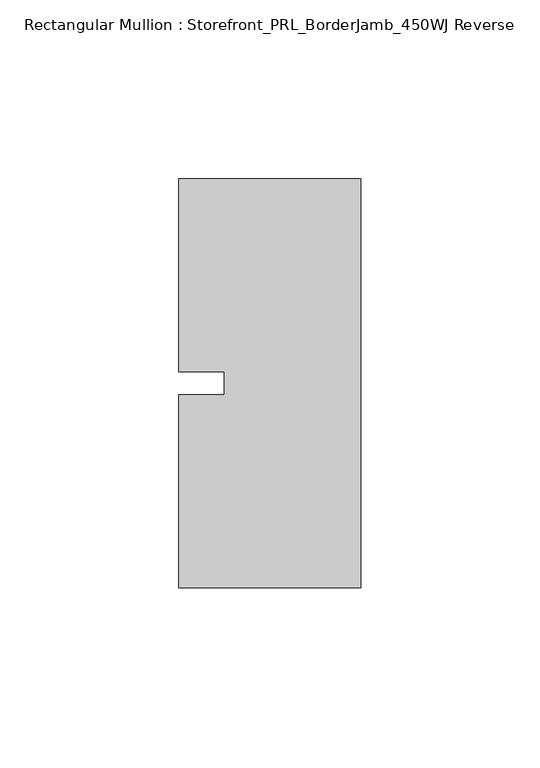
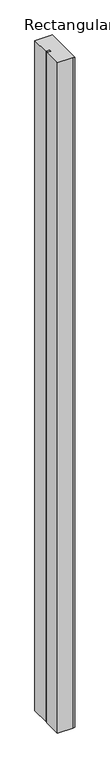
"""IFC4 building model written with IfcOpenShell, lengths in millimetres: member geometry, Rectangular Mullion : Storefront_PRL_BorderJamb_450WJ Reverse."""

from ifc_helpers import new_model, si_unit, frame, origin, place, context, project, spatial, polyline, outline, extrude, source, transform, mapped, element, save


def rectangular_mullion_storefront_prl_borderjamb_450wj_reverse_44a060d6(model_context):
    return source(origin(), model_context, "Body", "SweptSolid", [
        extrude(outline(polyline([(-38.1, -3.175), (-38.1, 3.175), (-50.8, 3.175), (-50.8, 57.15), (-7.3958824, 57.15), (0.0, 57.15), (0.0, -57.15), (-6.35, -57.15), (-50.8, -57.15), (-50.8, -3.175), (-38.1, -3.175)])), frame((0.0, 0.0, -2078.83125), z_axis=(0.0, 0.0, 1.0), x_axis=(1.0, 0.0, 0.0)), (0.0, 0.0, 1.0), 2078.83125),
    ])


if __name__ == "__main__":
    model = new_model("IFC4")
    model_context = context("Model", 3, world=origin())
    ifc_project = project(units=[si_unit("LENGTHUNIT", "METRE", prefix="MILLI")], contexts=[model_context])
    site = spatial("IfcSite", under=ifc_project)
    building = spatial("IfcBuilding", under=site)
    placement = place(None, origin())
    rectangular_mullion_storefront_prl_borderjamb_450wj_reverse_shape = rectangular_mullion_storefront_prl_borderjamb_450wj_reverse_44a060d6(model_context)
    element("IfcMember", 1, ObjectType="Rectangular Mullion : Storefront_PRL_BorderJamb_450WJ Reverse", at=placement, inside=building, context=model_context, shape_type="MappedRepresentation", body=[
        mapped(rectangular_mullion_storefront_prl_borderjamb_450wj_reverse_shape, transform((0.0, 0.0, 0.0), x_axis=(1.0, 0.0, 0.0), y_axis=(0.0, 1.0, 0.0), z_axis=(0.0, 0.0, 1.0))),
    ])
    save(model, "model.ifc")
